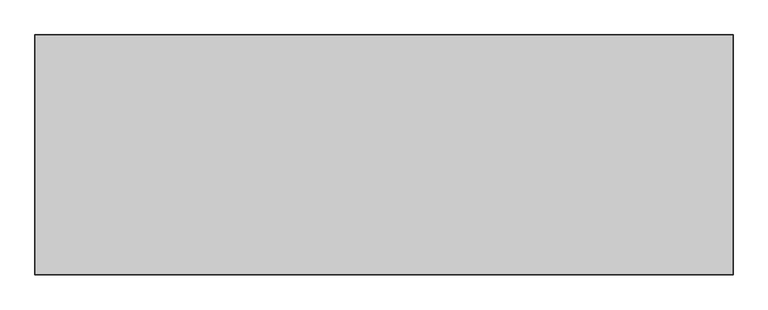
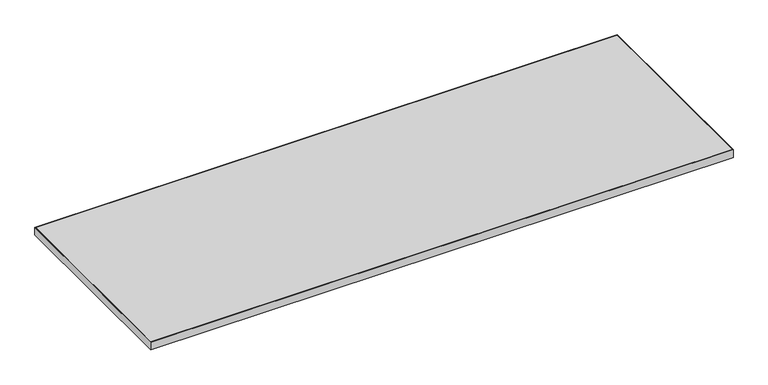
"""IFC4 building model written with IfcOpenShell, lengths in millimetres: furniture geometry."""

from ifc_helpers import new_model, si_unit, frame, origin, place, context, project, spatial, polyline, outline, extrude, source, transform, mapped, element, save


def furniture_26ca69db(model_context):
    return source(origin(), model_context, "Body", "SweptSolid", [
        extrude(outline(polyline([(1368.4758, 831.9008), (1368.4758, 101.5492), (-758.8758, 101.5492), (-758.8758, 831.9008), (1368.4758, 831.9008)])), frame((0.0, 0.0, 707.009), z_axis=(0.0, 0.0, 1.0), x_axis=(1.0, 0.0, 0.0)), (0.0, 0.0, 1.0), 29.591),
        extrude(outline(polyline([(1370.0633, 99.9617), (-760.4633, 99.9617), (-760.4633, 833.4883), (1370.0633, 833.4883), (1370.0633, 99.9617)]), holes=[polyline([(1368.4758, 831.9008), (-758.8758, 831.9008), (-758.8758, 101.5492), (1368.4758, 101.5492), (1368.4758, 831.9008)])]), frame((0.0, 0.0, 707.009), z_axis=(0.0, 0.0, 1.0), x_axis=(1.0, 0.0, 0.0)), (0.0, 0.0, 1.0), 29.591),
    ])


if __name__ == "__main__":
    model = new_model("IFC4")
    model_context = context("Model", 3, world=origin())
    ifc_project = project(units=[si_unit("LENGTHUNIT", "METRE", prefix="MILLI")], contexts=[model_context])
    site = spatial("IfcSite", under=ifc_project)
    building = spatial("IfcBuilding", under=site)
    placement = place(None, origin())
    furniture_shape = furniture_26ca69db(model_context)
    element("IfcFurniture", 1, at=placement, inside=building, context=model_context, shape_type="MappedRepresentation", body=[
        mapped(furniture_shape, transform((0.0, 0.0, 0.0), x_axis=(1.0, 0.0, 0.0), y_axis=(0.0, 1.0, 0.0), z_axis=(0.0, 0.0, 1.0))),
    ])
    save(model, "model.ifc")
